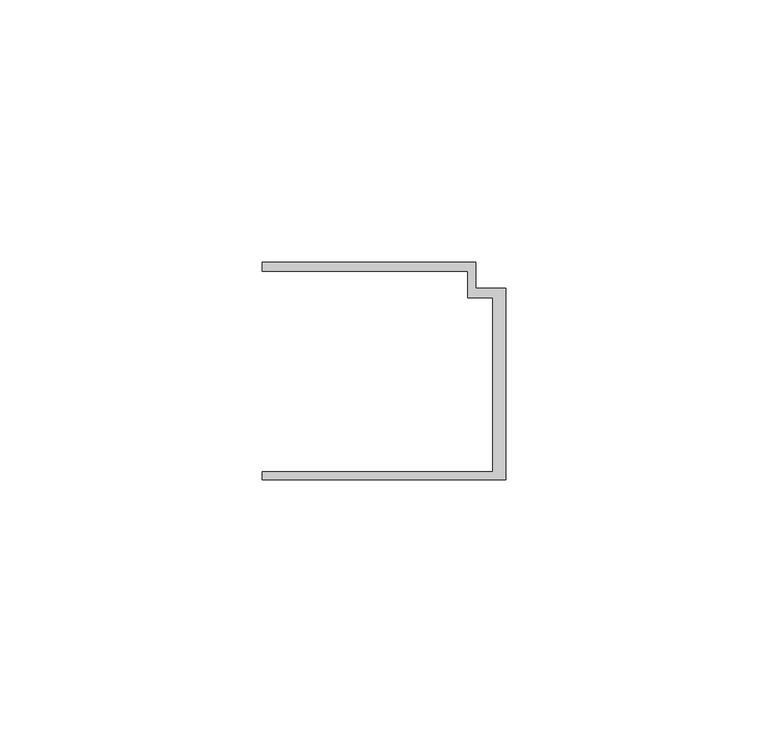
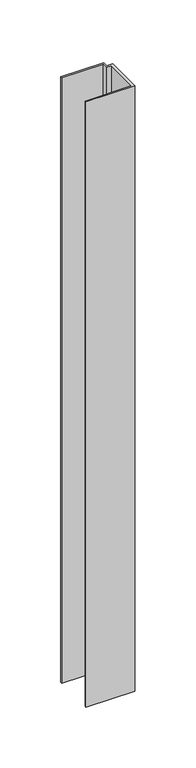
"""IFC4 building model written with IfcOpenShell, lengths in millimetres: member geometry."""

from ifc_helpers import new_model, si_unit, frame, origin, place, context, project, spatial, polyline, outline, extrude, source, transform, mapped, element, save


def member_d825fdec(model_context):
    return source(origin(), model_context, "Body", "SweptSolid", [
        extrude(outline(polyline([(-46.3, -19.2), (-2.4, -19.2), (-2.4, 14.0), (-7.2, 14.0), (-7.2, 19.0), (-46.3, 19.0), (-46.3, 20.7), (-5.6999992, 20.7), (-5.6999992, 15.8), (0.0, 15.8), (0.0, -20.7), (-46.3, -20.7), (-46.3, -19.2)])), frame((0.0, 0.0, -607.6602632), z_axis=(0.0, 0.0, 1.0), x_axis=(1.0, 0.0, 0.0)), (0.0, 0.0, 1.0), 607.6602632),
    ])


if __name__ == "__main__":
    model = new_model("IFC4")
    model_context = context("Model", 3, world=origin())
    ifc_project = project(units=[si_unit("LENGTHUNIT", "METRE", prefix="MILLI")], contexts=[model_context])
    site = spatial("IfcSite", under=ifc_project)
    building = spatial("IfcBuilding", under=site)
    placement = place(None, origin())
    member_shape = member_d825fdec(model_context)
    element("IfcMember", 1, at=placement, inside=building, context=model_context, shape_type="MappedRepresentation", body=[
        mapped(member_shape, transform((0.0, 0.0, 0.0), x_axis=(1.0, 0.0, 0.0), y_axis=(0.0, 1.0, 0.0), z_axis=(0.0, 0.0, 1.0))),
    ])
    save(model, "model.ifc")
